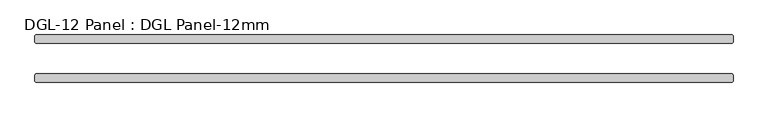
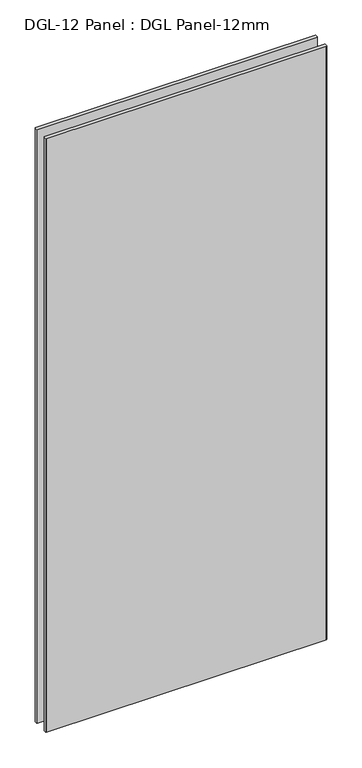
"""IFC4 building model written with IfcOpenShell, lengths in millimetres: plate geometry, DGL-12 Panel : DGL Panel-12mm."""

from ifc_helpers import new_model, si_unit, origin, origin_with_axes, place, context, project, spatial, polyline, outline, extrude, source, transform, mapped, element, save


def dgl_12_panel_dgl_panel_12mm_95116e05(model_context):
    return source(origin(), model_context, "Body", "SweptSolid", [
        extrude(outline(polyline([(521.2970826, -22.9195313), (522.8845826, -24.5070313), (522.8845826, -34.0320313), (521.2970826, -35.6195313), (-521.2970826, -35.6195313), (-522.8845826, -34.0320313), (-522.8845826, -24.5070313), (-521.2970826, -22.9195313), (521.2970826, -22.9195313)])), origin_with_axes(), (0.0, 0.0, 1.0), 2339.4622278),
        extrude(outline(polyline([(521.2970826, 35.6195312), (522.8845826, 34.0320312), (522.8845826, 24.5070312), (521.2970826, 22.9195312), (-521.2970826, 22.9195312), (-522.8845826, 24.5070312), (-522.8845826, 34.0320312), (-521.2970826, 35.6195312), (521.2970826, 35.6195312)])), origin_with_axes(), (0.0, 0.0, 1.0), 2339.4622278),
    ])


if __name__ == "__main__":
    model = new_model("IFC4")
    model_context = context("Model", 3, world=origin())
    ifc_project = project(units=[si_unit("LENGTHUNIT", "METRE", prefix="MILLI")], contexts=[model_context])
    site = spatial("IfcSite", under=ifc_project)
    building = spatial("IfcBuilding", under=site)
    placement = place(None, origin())
    dgl_12_panel_dgl_panel_12mm_shape = dgl_12_panel_dgl_panel_12mm_95116e05(model_context)
    element("IfcPlate", 1, ObjectType="DGL-12 Panel : DGL Panel-12mm", at=placement, inside=building, context=model_context, shape_type="MappedRepresentation", body=[
        mapped(dgl_12_panel_dgl_panel_12mm_shape, transform((0.0, 0.0, 0.0), x_axis=(1.0, 0.0, 0.0), y_axis=(0.0, 1.0, 0.0), z_axis=(0.0, 0.0, 1.0))),
    ])
    save(model, "model.ifc")
